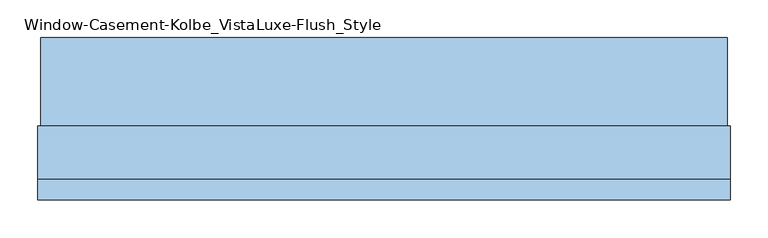
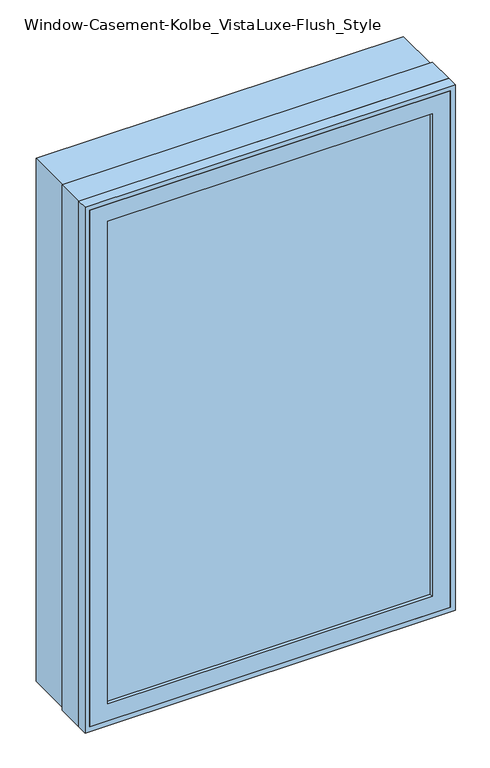
"""IFC4 building model written with IfcOpenShell, lengths in millimetres: window geometry, Window-Casement-Kolbe_VistaLuxe-Flush_Style."""

from ifc_helpers import new_model, si_unit, frame, origin, place, context, project, spatial, polyline, outline, extrude, faceted_brep, source, transform, mapped, element, save


def window_casement_kolbe_vistaluxe_flush_style_6a2ea364(model_context):
    return source(origin(), model_context, "Body", "SolidModel", [
        faceted_brep([(-406.4696599, -111.85398, 970.676875), (-406.4696599, -119.79148, 970.676875), (395.3765901, -119.79148, 970.676875), (395.3765901, -111.85398, 970.676875), (-422.3446599, -89.60358, 954.801875), (-422.3446599, -111.85398, 954.801875), (411.2515901, -111.85398, 954.801875), (411.2515901, -89.60358, 954.801875), (-406.4696599, -70.57898, 970.676875), (-406.4696599, -89.60358, 970.676875), (395.3765901, -89.60358, 970.676875), (395.3765901, -70.57898, 970.676875), (-450.9196599, -119.79148, 926.226875), (-450.9196599, -70.57898, 926.226875), (439.8265901, -70.57898, 926.226875), (439.8265901, -119.79148, 926.226875), (395.3765901, -119.79148, 2229.723125), (395.3765901, -111.85398, 2229.723125), (411.2515901, -111.85398, 2245.598125), (411.2515901, -89.60358, 2245.598125), (395.3765901, -89.60358, 2229.723125), (395.3765901, -70.57898, 2229.723125), (439.8265901, -70.57898, 2274.173125), (439.8265901, -119.79148, 2274.173125), (-406.4696599, -119.79148, 2229.723125), (-406.4696599, -111.85398, 2229.723125), (-422.3446599, -111.85398, 2245.598125), (-422.3446599, -89.60358, 2245.598125), (-406.4696599, -89.60358, 2229.723125), (-406.4696599, -70.57898, 2229.723125), (-450.9196599, -70.57898, 2274.173125), (-450.9196599, -119.79148, 2274.173125)], [[[0, 1, 2, 3]], [[4, 5, 6, 7]], [[8, 9, 10, 11]], [[12, 13, 14, 15]], [[3, 2, 16, 17]], [[7, 6, 18, 19]], [[11, 10, 20, 21]], [[15, 14, 22, 23]], [[17, 16, 24, 25]], [[19, 18, 26, 27]], [[21, 20, 28, 29]], [[23, 22, 30, 31]], [[25, 24, 1, 0]], [[5, 26, 18, 6], [3, 17, 25, 0]], [[27, 26, 5, 4]], [[7, 19, 27, 4], [9, 28, 20, 10]], [[29, 28, 9, 8]], [[13, 30, 22, 14], [11, 21, 29, 8]], [[31, 30, 13, 12]], [[15, 23, 31, 12], [1, 24, 16, 2]]]),
        extrude(outline(polyline([(2282.4186, 448.0720651), (2282.4186, -459.1651349), (917.9814, -459.1651349), (917.9814, 448.0720651), (2282.4186, 448.0720651)]), holes=[polyline([(936.545625, 429.5078401), (936.545625, -440.6009099), (2263.854375, -440.6009099), (2263.854375, 429.5078401), (936.545625, 429.5078401)])]), frame((0.0, -22.9997, 0.0), z_axis=(0.0, 1.0, 0.0), x_axis=(0.0, 0.0, 1.0)), (0.0, 0.0, 1.0), 116.6622),
        extrude(outline(polyline([(2286.0, -462.7465349), (914.4, -462.7465349), (914.4, 451.6534651), (2286.0, 451.6534651), (2286.0, -462.7465349)]), holes=[polyline([(2274.173125, 439.8265901), (926.226875, 439.8265901), (926.226875, -450.9196599), (2274.173125, -450.9196599), (2274.173125, 439.8265901)])]), frame((0.0, -120.5865, 0.0), z_axis=(0.0, 1.0, 0.0), x_axis=(0.0, 0.0, 1.0)), (0.0, 0.0, 1.0), 26.924),
        faceted_brep([(451.6534651, -22.9997, 914.4), (451.6534651, -93.6625, 914.4), (-462.7465349, -93.6625, 914.4), (-462.7465349, -22.9997, 914.4), (429.5078401, -70.58025, 936.545625), (429.5078401, -22.9997, 936.545625), (-440.6009099, -22.9997, 936.545625), (-440.6009099, -70.58025, 936.545625), (439.8265901, -93.6625, 926.226875), (439.8265901, -70.58025, 926.226875), (-450.9196599, -70.58025, 926.226875), (-450.9196599, -93.6625, 926.226875), (-462.7465349, -93.6625, 2286.0), (-462.7465349, -22.9997, 2286.0), (-440.6009099, -22.9997, 2263.854375), (-440.6009099, -70.58025, 2263.854375), (-450.9196599, -70.58025, 2274.173125), (-450.9196599, -93.6625, 2274.173125), (451.6534651, -93.6625, 2286.0), (451.6534651, -22.9997, 2286.0), (429.5078401, -22.9997, 2263.854375), (429.5078401, -70.58025, 2263.854375), (439.8265901, -70.58025, 2274.173125), (439.8265901, -93.6625, 2274.173125)], [[[0, 1, 2, 3]], [[4, 5, 6, 7]], [[8, 9, 10, 11]], [[3, 2, 12, 13]], [[7, 6, 14, 15]], [[11, 10, 16, 17]], [[13, 12, 18, 19]], [[15, 14, 20, 21]], [[17, 16, 22, 23]], [[19, 18, 1, 0]], [[3, 13, 19, 0], [5, 20, 14, 6]], [[21, 20, 5, 4]], [[9, 22, 16, 10], [7, 15, 21, 4]], [[23, 22, 9, 8]], [[1, 18, 12, 2], [11, 17, 23, 8]]]),
        extrude(outline(polyline([(408.0765901, -92.77858), (-419.1696599, -92.77858), (-419.1696599, -89.60358), (408.0765901, -89.60358), (408.0765901, -92.77858)])), frame((0.0, 0.0, 957.976875), z_axis=(0.0, 0.0, 1.0), x_axis=(1.0, 0.0, 0.0)), (0.0, 0.0, 1.0), 1284.44625),
        extrude(outline(polyline([(408.0765901, -108.67898), (408.0765901, -111.85398), (-419.1696599, -111.85398), (-419.1696599, -108.67898), (408.0765901, -108.67898)])), frame((0.0, 0.0, 957.976875), z_axis=(0.0, 0.0, 1.0), x_axis=(1.0, 0.0, 0.0)), (0.0, 0.0, 1.0), 1284.44625),
        extrude(outline(polyline([(936.545625, 429.5078401), (2263.854375, 429.5078401), (2263.854375, -440.6009099), (936.545625, -440.6009099), (936.545625, 429.5078401)]), holes=[polyline([(954.801875, -422.3446599), (2245.598125, -422.3446599), (2245.598125, 411.2515901), (954.801875, 411.2515901), (954.801875, -422.3446599)])]), frame((0.0, -70.58025, 0.0), z_axis=(0.0, 1.0, 0.0), x_axis=(0.0, 0.0, 1.0)), (0.0, 0.0, 1.0), 50.8),
    ])


if __name__ == "__main__":
    model = new_model("IFC4")
    model_context = context("Model", 3, world=origin())
    ifc_project = project(units=[si_unit("LENGTHUNIT", "METRE", prefix="MILLI")], contexts=[model_context])
    site = spatial("IfcSite", under=ifc_project)
    building = spatial("IfcBuilding", under=site)
    placement = place(None, origin())
    window_casement_kolbe_vistaluxe_flush_style_shape = window_casement_kolbe_vistaluxe_flush_style_6a2ea364(model_context)
    element("IfcWindow", 1, ObjectType="Window-Casement-Kolbe_VistaLuxe-Flush_Style", at=placement, inside=building, context=model_context, shape_type="MappedRepresentation", body=[
        mapped(window_casement_kolbe_vistaluxe_flush_style_shape, transform((0.0, 0.0, 0.0), x_axis=(1.0, 0.0, 0.0), y_axis=(0.0, 1.0, 0.0), z_axis=(0.0, 0.0, 1.0))),
    ])
    save(model, "model.ifc")
